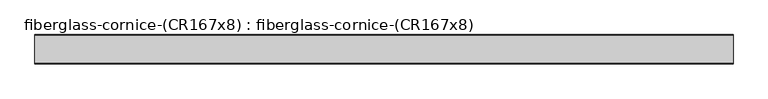
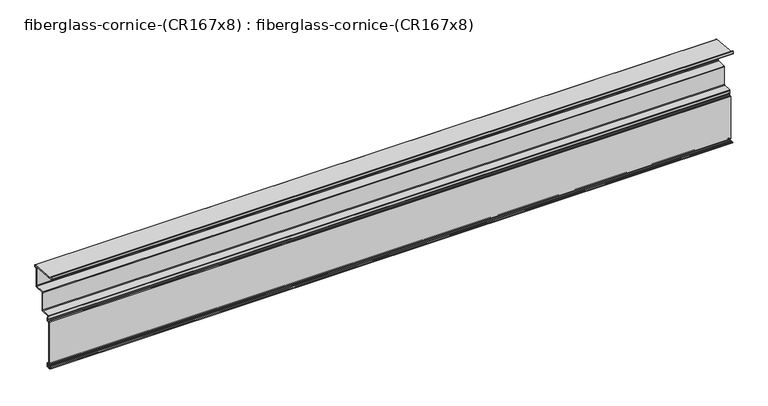
"""IFC4 building model written with IfcOpenShell, lengths in millimetres: furniture geometry, fiberglass-cornice-(CR167x8) : fiberglass-cornice-(CR167x8)."""

from ifc_helpers import new_model, si_unit, point, frame, frame_2d, origin, place, context, project, spatial, polyline, circle_curve, trimmed, segment, composite_curve, outline, extrude, source, transform, mapped, element, save


def fiberglass_cornice_cr167x8_fiberglass_cornice_cr167x8_98362b5e(model_context):
    return source(origin(), model_context, "Body", "SweptSolid", [
        extrude(outline(composite_curve([segment(trimmed(circle_curve(frame_2d((268.2773355, 301.8568447)), 3.1851645), [point((268.2773355, 305.0420092))], [point((271.4625, 301.8568447))], False, "CARTESIAN"), True, "CONTINUOUS"), segment(polyline([(271.4625, 301.8568447), (271.4625, 295.2749904)]), True, "CONTINUOUS"), segment(trimmed(circle_curve(frame_2d((268.2875, 295.2749904)), 3.175), [point((271.4625, 295.2749904))], [point((268.2875, 292.0999904))], False, "CARTESIAN"), True, "CONTINUOUS"), segment(polyline([(268.2875, 292.0999904), (261.9375, 292.0999904)]), True, "CONTINUOUS"), segment(trimmed(circle_curve(frame_2d((261.9375, 288.9249904)), 3.175), [point((261.9375, 292.0999904))], [point((258.7625, 288.9249904))], True, "CARTESIAN"), True, "CONTINUOUS"), segment(polyline([(258.7625, 288.9249904), (258.7625, 180.9749904)]), True, "CONTINUOUS"), segment(trimmed(circle_curve(frame_2d((255.5875, 180.9749904)), 3.175), [point((258.7625, 180.9749904))], [point((255.5875, 177.7999904))], False, "CARTESIAN"), True, "CONTINUOUS"), segment(polyline([(255.5875, 177.7999904), (198.4375, 177.7999904)]), True, "CONTINUOUS"), segment(trimmed(circle_curve(frame_2d((198.4375, 174.6249904)), 3.175), [point((198.4375, 177.7999904))], [point((195.2625, 174.6249904))], True, "CARTESIAN"), True, "CONTINUOUS"), segment(polyline([(195.2625, 174.6249904), (195.2625, 66.6749904)]), True, "CONTINUOUS"), segment(trimmed(circle_curve(frame_2d((192.0875, 66.6749904)), 3.175), [point((195.2625, 66.6749904))], [point((192.0875, 63.4999904))], False, "CARTESIAN"), True, "CONTINUOUS"), segment(polyline([(192.0875, 63.4999904), (141.2875, 63.4999904)]), True, "CONTINUOUS"), segment(trimmed(circle_curve(frame_2d((141.2875, 60.3249904)), 3.175), [point((141.2875, 63.4999904))], [point((138.1125, 60.3249904))], True, "CARTESIAN"), True, "CONTINUOUS"), segment(polyline([(138.1125, 60.3249904), (138.1125, 50.7999904), (141.2875, 50.7999904)]), True, "CONTINUOUS"), segment(trimmed(circle_curve(frame_2d((141.2875, 47.6249904)), 3.175), [point((141.2875, 50.7999904))], [point((144.4625, 47.6249904))], False, "CARTESIAN"), True, "CONTINUOUS"), segment(polyline([(144.4625, 47.6249904), (144.4625, 34.9249904)]), True, "CONTINUOUS"), segment(trimmed(circle_curve(frame_2d((141.2875, 34.9249904)), 3.175), [point((144.4625, 34.9249904))], [point((141.2875, 31.7499904))], False, "CARTESIAN"), True, "CONTINUOUS"), segment(polyline([(141.2875, 31.7499904), (134.9375, 31.7499904)]), True, "CONTINUOUS"), segment(trimmed(circle_curve(frame_2d((134.9375, 28.5749904)), 3.175), [point((134.9375, 31.7499904))], [point((131.7625, 28.5749904))], True, "CARTESIAN"), True, "CONTINUOUS"), segment(polyline([(131.7625, 28.5749904), (131.7625, -225.6790096)]), True, "CONTINUOUS"), segment(trimmed(circle_curve(frame_2d((134.9375, -225.6790096)), 3.175), [point((131.7625, -225.6790096))], [point((134.9375, -228.8540096))], True, "CARTESIAN"), True, "CONTINUOUS"), segment(polyline([(134.9375, -228.8540096), (141.2875, -228.8540096)]), True, "CONTINUOUS"), segment(trimmed(circle_curve(frame_2d((141.2875, -232.0290096)), 3.175), [point((141.2875, -228.8540096))], [point((144.4625, -232.0290096))], False, "CARTESIAN"), True, "CONTINUOUS"), segment(polyline([(144.4625, -232.0290096), (144.4625, -250.8250096)]), True, "CONTINUOUS"), segment(trimmed(circle_curve(frame_2d((141.2875, -250.8250096)), 3.175), [point((144.4625, -250.8250096))], [point((141.2875, -254.0000096))], False, "CARTESIAN"), True, "CONTINUOUS"), segment(polyline([(141.2875, -254.0000096), (122.2375, -254.0000096)]), True, "CONTINUOUS"), segment(trimmed(circle_curve(frame_2d((122.2375, -250.8250096)), 3.175), [point((122.2375, -254.0000096))], [point((119.0625, -250.8250096))], False, "CARTESIAN"), True, "CONTINUOUS"), segment(polyline([(119.0625, -250.8250096), (119.0625, -247.6500096)]), True, "CONTINUOUS"), segment(trimmed(circle_curve(frame_2d((115.8875, -247.6500096)), 3.175), [point((119.0625, -247.6500096))], [point((115.8875, -244.4750096))], True, "CARTESIAN"), True, "CONTINUOUS"), segment(polyline([(115.8875, -244.4750096), (106.3625, -244.4750096), (106.3625, -239.7125096), (120.65, -239.7125096)]), True, "CONTINUOUS"), segment(trimmed(circle_curve(frame_2d((120.65, -242.8875096)), 3.175), [point((120.65, -239.7125096))], [point((123.825, -242.8875096))], False, "CARTESIAN"), True, "CONTINUOUS"), segment(polyline([(123.825, -242.8875096), (123.825, -246.0625096)]), True, "CONTINUOUS"), segment(trimmed(circle_curve(frame_2d((127.0, -246.0625096)), 3.175), [point((123.825, -246.0625096))], [point((127.0, -249.2375096))], True, "CARTESIAN"), True, "CONTINUOUS"), segment(polyline([(127.0, -249.2375096), (136.525, -249.2375096)]), True, "CONTINUOUS"), segment(trimmed(circle_curve(frame_2d((136.525, -246.0625096)), 3.175), [point((136.525, -249.2375096))], [point((139.7, -246.0625096))], True, "CARTESIAN"), True, "CONTINUOUS"), segment(polyline([(139.7, -246.0625096), (139.7, -236.5375096)]), True, "CONTINUOUS"), segment(trimmed(circle_curve(frame_2d((136.779, -236.5375096)), 2.921), [point((139.7, -236.5375096))], [point((136.779, -233.6165096))], True, "CARTESIAN"), True, "CONTINUOUS"), segment(polyline([(136.779, -233.6165096), (130.175, -233.6165096)]), True, "CONTINUOUS"), segment(trimmed(circle_curve(frame_2d((130.175, -230.4415096)), 3.175), [point((130.175, -233.6165096))], [point((127.0, -230.4415096))], False, "CARTESIAN"), True, "CONTINUOUS"), segment(polyline([(127.0, -230.4415096), (127.0, 33.3374904)]), True, "CONTINUOUS"), segment(trimmed(circle_curve(frame_2d((130.175, 33.3374904)), 3.175), [point((127.0, 33.3374904))], [point((130.175, 36.5124904))], False, "CARTESIAN"), True, "CONTINUOUS"), segment(polyline([(130.175, 36.5124904), (136.525, 36.5124904)]), True, "CONTINUOUS"), segment(trimmed(circle_curve(frame_2d((136.525, 39.6874904)), 3.175), [point((136.525, 36.5124904))], [point((139.7, 39.6874904))], True, "CARTESIAN"), True, "CONTINUOUS"), segment(polyline([(139.7, 39.6874904), (139.7, 42.8624904)]), True, "CONTINUOUS"), segment(trimmed(circle_curve(frame_2d((136.525, 42.8624904)), 3.175), [point((139.7, 42.8624904))], [point((136.525, 46.0374904))], True, "CARTESIAN"), True, "CONTINUOUS"), segment(trimmed(circle_curve(frame_2d((136.525, 49.2124904)), 3.175), [point((136.525, 46.0374904))], [point((133.35, 49.2124904))], False, "CARTESIAN"), True, "CONTINUOUS"), segment(polyline([(133.35, 49.2124904), (133.35, 65.0874904)]), True, "CONTINUOUS"), segment(trimmed(circle_curve(frame_2d((136.525, 65.0874904)), 3.175), [point((133.35, 65.0874904))], [point((136.525, 68.2624904))], False, "CARTESIAN"), True, "CONTINUOUS"), segment(polyline([(136.525, 68.2624904), (187.325, 68.2624904)]), True, "CONTINUOUS"), segment(trimmed(circle_curve(frame_2d((187.325, 71.4374904)), 3.175), [point((187.325, 68.2624904))], [point((190.5, 71.4374904))], True, "CARTESIAN"), True, "CONTINUOUS"), segment(polyline([(190.5, 71.4374904), (190.5, 179.3874904)]), True, "CONTINUOUS"), segment(trimmed(circle_curve(frame_2d((193.675, 179.3874904)), 3.175), [point((190.5, 179.3874904))], [point((193.675, 182.5624904))], False, "CARTESIAN"), True, "CONTINUOUS"), segment(polyline([(193.675, 182.5624904), (250.825, 182.5624904)]), True, "CONTINUOUS"), segment(trimmed(circle_curve(frame_2d((250.825, 185.7374904)), 3.175), [point((250.825, 182.5624904))], [point((254.0, 185.7374904))], True, "CARTESIAN"), True, "CONTINUOUS"), segment(polyline([(254.0, 185.7374904), (254.0, 293.6874904)]), True, "CONTINUOUS"), segment(trimmed(circle_curve(frame_2d((257.175, 293.6874904)), 3.175), [point((254.0, 293.6874904))], [point((257.175, 296.8624904))], False, "CARTESIAN"), True, "CONTINUOUS"), segment(polyline([(257.175, 296.8624904), (266.7, 296.8624904), (266.7, 300.3884709), (104.5347045, 312.865723)]), True, "CONTINUOUS"), segment(trimmed(circle_curve(frame_2d((104.5347045, 315.8004274)), 2.9347045), [point((104.5347045, 312.865723))], [point((101.6, 315.8004274))], False, "CARTESIAN"), True, "CONTINUOUS"), segment(polyline([(101.6, 315.8004274), (101.6, 330.1999904), (106.3625, 330.1999904), (106.3625, 317.4999904), (268.2773355, 305.0420092)]), True, "CONTINUOUS")], self_intersect=False)), frame((-2012.9498044, 0.0, 0.0), z_axis=(1.0, 0.0, 0.0), x_axis=(0.0, 1.0, 0.0)), (0.0, 0.0, 1.0), 4025.8996087),
    ])


if __name__ == "__main__":
    model = new_model("IFC4")
    model_context = context("Model", 3, world=origin())
    ifc_project = project(units=[si_unit("LENGTHUNIT", "METRE", prefix="MILLI")], contexts=[model_context])
    site = spatial("IfcSite", under=ifc_project)
    building = spatial("IfcBuilding", under=site)
    placement = place(None, origin())
    fiberglass_cornice_cr167x8_fiberglass_cornice_cr167x8_shape = fiberglass_cornice_cr167x8_fiberglass_cornice_cr167x8_98362b5e(model_context)
    element("IfcFurniture", 1, ObjectType="fiberglass-cornice-(CR167x8) : fiberglass-cornice-(CR167x8)", at=placement, inside=building, context=model_context, shape_type="MappedRepresentation", body=[
        mapped(fiberglass_cornice_cr167x8_fiberglass_cornice_cr167x8_shape, transform((0.0, 0.0, 0.0), x_axis=(1.0, 0.0, 0.0), y_axis=(0.0, 1.0, 0.0), z_axis=(0.0, 0.0, 1.0))),
    ])
    save(model, "model.ifc")
